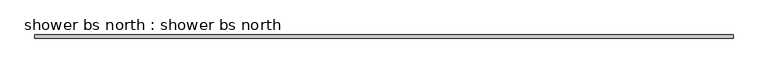
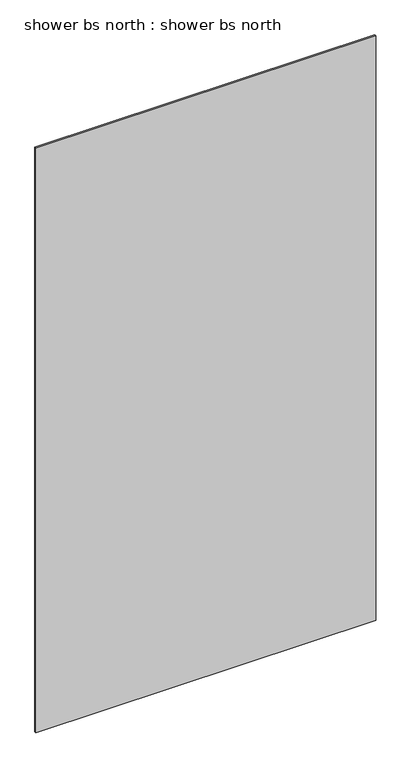
"""IFC4 building model written with IfcOpenShell, lengths in millimetres: proxy geometry, shower bs north : shower bs north."""

from ifc_helpers import new_model, si_unit, frame, origin, place, context, project, spatial, polyline, outline, extrude, source, transform, mapped, element, save


def shower_bs_north_shower_bs_north_6e9f64f8(model_context):
    return source(origin(), model_context, "Body", "SweptSolid", [
        extrude(outline(polyline([(-7052.136525, 7894.8751285), (-8328.1323603, 7894.8751285), (-8328.1323603, 7901.2251285), (-7052.136525, 7901.2251285), (-7052.136525, 7894.8751285)])), frame((0.0, 0.0, 3165.475), z_axis=(0.0, 0.0, 1.0), x_axis=(1.0, 0.0, 0.0)), (0.0, 0.0, 1.0), 2320.925),
    ])


if __name__ == "__main__":
    model = new_model("IFC4")
    model_context = context("Model", 3, world=origin())
    ifc_project = project(units=[si_unit("LENGTHUNIT", "METRE", prefix="MILLI")], contexts=[model_context])
    site = spatial("IfcSite", under=ifc_project)
    building = spatial("IfcBuilding", under=site)
    placement = place(None, origin())
    shower_bs_north_shower_bs_north_shape = shower_bs_north_shower_bs_north_6e9f64f8(model_context)
    element("IfcBuildingElementProxy", 1, Name="shower bs north : shower bs north", ObjectType="shower bs north : shower bs north", at=placement, inside=building, context=model_context, shape_type="MappedRepresentation", body=[
        mapped(shower_bs_north_shower_bs_north_shape, transform((0.0, 0.0, 0.0), x_axis=(1.0, 0.0, 0.0), y_axis=(0.0, 1.0, 0.0), z_axis=(0.0, 0.0, 1.0))),
    ])
    save(model, "model.ifc")
